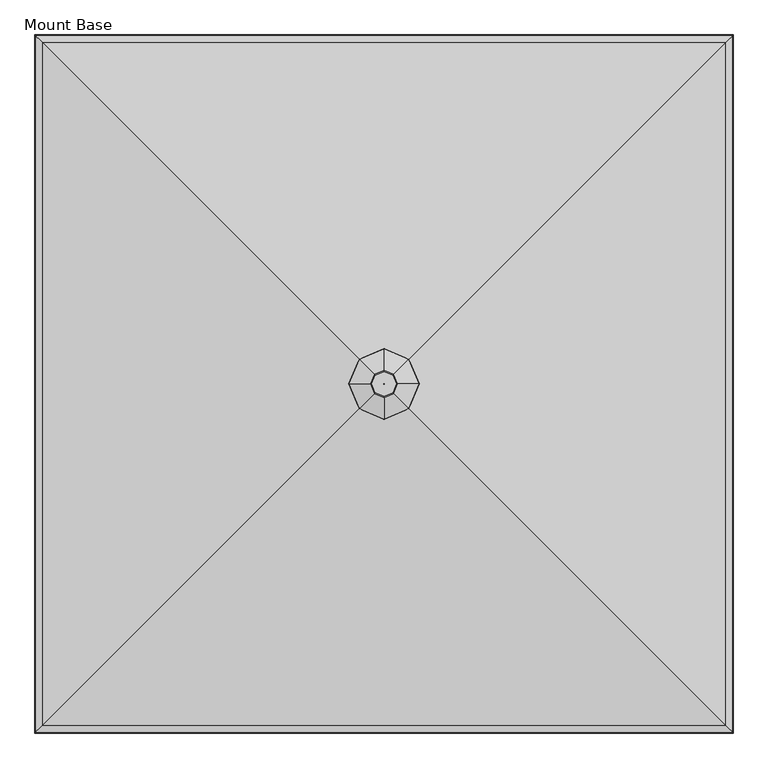
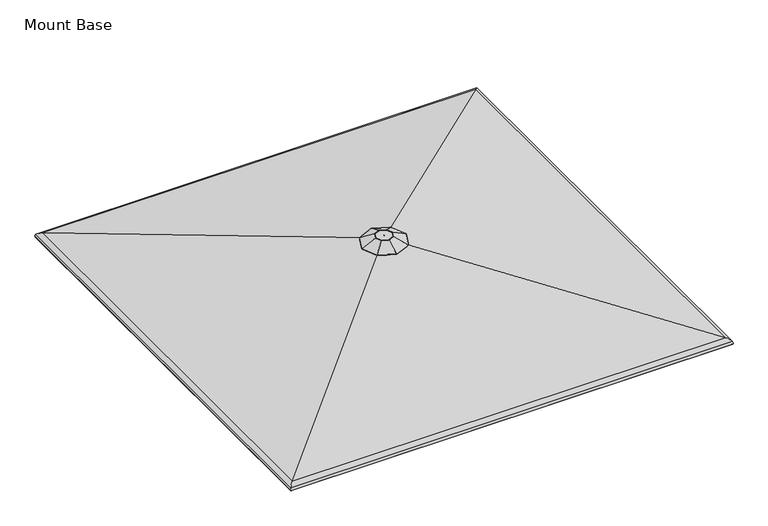
"""IFC4 building model written with IfcOpenShell, lengths in millimetres: furniture geometry, Mount Base."""

from ifc_helpers import new_model, si_unit, frame, origin, place, context, project, spatial, polyline, ellipse_curve, source, transform, mapped, element, save
from ifc_brep_helpers import plane_surface, cylinder_surface, revolved_surface, advanced_brep


def mount_base_37c14542(model_context):
    return source(origin(), model_context, "Body", "AdvancedBrep", [
        advanced_brep(
        [(459.6167733, -4.0299408, 2788.1260368), (443.5284214, 33.0984806, 2788.1260368), (406.4, 49.1868325, 2788.1260368), (369.2715786, 33.0984806, 2788.1260368), (353.1832267, -4.0299408, 2788.1260368), (369.2715786, -41.1583622, 2788.1260368), (406.4, -57.2467141, 2788.1260368), (443.5284214, -41.1583622, 2788.1260368), (406.1200807, -3.7500215, 2788.1260368), (406.4, -3.6287279, 2788.1260368), (406.6799193, -3.7500215, 2788.1260368), (406.8012128, -4.0299408, 2788.1260368), (406.6799193, -4.30986, 2788.1260368), (406.4, -4.4311536, 2788.1260368), (406.1200807, -4.30986, 2788.1260368), (405.9987872, -4.0299408, 2788.1260368), (386.6122835, 15.7577757, 2773.6177982), (406.4, 24.3321167, 2773.6177982), (426.1877165, 15.7577757, 2773.6177982), (434.7620575, -4.0299408, 2773.6177982), (426.1877165, -23.8176572, 2773.6177982), (406.4, -32.3919982, 2773.6177982), (386.6122835, -23.8176572, 2773.6177982), (378.0379425, -4.0299408, 2773.6177982), (406.8012128, -4.0299408, 2773.6177982), (406.6799193, -3.7500215, 2773.6177982), (406.4, -3.6287279, 2773.6177982), (406.1200807, -3.7500215, 2773.6177982), (405.9987872, -4.0299408, 2773.6177982), (406.1200807, -4.30986, 2773.6177982), (406.4, -4.4311536, 2773.6177982), (406.6799193, -4.30986, 2773.6177982), (300.4700231, 101.9000361, 2741.0648825), (254.5688326, -4.0299408, 2741.0648825), (299.7039003, 102.6661589, 2743.64096), (253.4707362, -4.0299408, 2743.64096), (364.933862, 37.4361973, 2786.7726474), (346.9659065, -4.0299408, 2786.7726474), (300.4700231, -109.9599176, 2741.0648825), (299.7039003, -110.7260405, 2743.64096), (364.933862, -45.4960788, 2786.7726474), (406.4, -155.8611082, 2741.0648825), (406.4, -156.9592046, 2743.64096), (406.4, -63.4640343, 2786.7726474), (512.3299769, -109.9599176, 2741.0648825), (513.0960997, -110.7260405, 2743.64096), (447.866138, -45.4960788, 2786.7726474), (558.2311674, -4.0299408, 2741.0648825), (559.3292638, -4.0299408, 2743.64096), (465.8340935, -4.0299408, 2786.7726474), (512.3299769, 101.9000361, 2741.0648825), (513.0960997, 102.6661589, 2743.64096), (447.866138, 37.4361973, 2786.7726474), (406.4, 147.8012266, 2741.0648825), (406.4, 148.899323, 2743.64096), (406.4, 55.4041527, 2786.7726474)],
        [
            (0, 1),
            (1, 2),
            (2, 3),
            (3, 4),
            (4, 5),
            (5, 6),
            (6, 7),
            (7, 0),
            (8, 9),
            (9, 10),
            (10, 11),
            (11, 12),
            (12, 13),
            (13, 14),
            (14, 15),
            (15, 8),
            (16, 17),
            (17, 18),
            (18, 19),
            (19, 20),
            (20, 21),
            (21, 22),
            (22, 23),
            (23, 16),
            (24, 25),
            (25, 26),
            (26, 27),
            (27, 28),
            (28, 29),
            (29, 30),
            (30, 31),
            (31, 24),
            (27, 8),
            (15, 28),
            (14, 29),
            (13, 30),
            (12, 31),
            (11, 24),
            (10, 25),
            (9, 26),
            (32, 16),
            (23, 33),
            (33, 32),
            (34, 32, ellipse_curve(frame((300.178338, 102.1917212, 2742.3999245), z_axis=(-0.7071067811865479, -0.707106781186547, 0.0), x_axis=(-0.7071067811865467, 0.7071067811865482, 0.0)), 1.4936871, 1.3890625)),
            (33, 35, ellipse_curve(frame((254.1507556, -4.0299408, 2742.3999245), z_axis=(0.0, 0.9999999999999999, 0.0), x_axis=(1.0, 0.0, 0.0)), 1.5138634, 1.3890625)),
            (35, 34),
            (36, 34),
            (35, 37),
            (37, 36),
            (3, 36, ellipse_curve(frame((369.2715786, 33.0984806, 2775.4260368), z_axis=(-0.7071067811865479, -0.707106781186547, 0.0), x_axis=(-0.7071067811865467, 0.7071067811865482, 0.0)), 13.656568, 12.7)),
            (37, 4, ellipse_curve(frame((353.1832267, -4.0299408, 2775.4260368), z_axis=(0.0, 0.9999999999999999, 0.0), x_axis=(1.0, 0.0, 0.0)), 13.8410369, 12.7)),
            (22, 38),
            (38, 33),
            (38, 39, ellipse_curve(frame((300.178338, -110.2516027, 2742.3999245), z_axis=(-0.707106781186547, 0.707106781186548, 0.0), x_axis=(0.7071067811865479, 0.707106781186547, 0.0)), 1.4936871, 1.3890625)),
            (39, 35),
            (39, 40),
            (40, 37),
            (40, 5, ellipse_curve(frame((369.2715786, -41.1583622, 2775.4260368), z_axis=(-0.707106781186547, 0.707106781186548, 0.0), x_axis=(0.7071067811865479, 0.707106781186547, 0.0)), 13.656568, 12.7)),
            (21, 41),
            (41, 38),
            (41, 42, ellipse_curve(frame((406.4, -156.2791852, 2742.3999245), z_axis=(-0.9999999999999999, 0.0, 0.0), x_axis=(0.0, 1.0, 0.0)), 1.5138634, 1.3890625)),
            (42, 39),
            (42, 43),
            (43, 40),
            (43, 6, ellipse_curve(frame((406.4, -57.2467141, 2775.4260368), z_axis=(-0.9999999999999999, 0.0, 0.0), x_axis=(0.0, 1.0, 0.0)), 13.8410369, 12.7)),
            (20, 44),
            (44, 41),
            (44, 45, ellipse_curve(frame((512.621662, -110.2516027, 2742.3999245), z_axis=(-0.707106781186548, -0.707106781186547, 0.0), x_axis=(-0.7071067811865469, 0.7071067811865481, 0.0)), 1.4936871, 1.3890625)),
            (45, 42),
            (45, 46),
            (46, 43),
            (46, 7, ellipse_curve(frame((443.5284214, -41.1583622, 2775.4260368), z_axis=(-0.707106781186548, -0.707106781186547, 0.0), x_axis=(-0.7071067811865469, 0.7071067811865481, 0.0)), 13.656568, 12.7)),
            (19, 47),
            (47, 44),
            (47, 48, ellipse_curve(frame((558.6492444, -4.0299408, 2742.3999245), z_axis=(0.0, -1.0, 0.0), x_axis=(-1.0, 0.0, 0.0)), 1.5138634, 1.3890625)),
            (48, 45),
            (48, 49),
            (49, 46),
            (49, 0, ellipse_curve(frame((459.6167733, -4.0299408, 2775.4260368), z_axis=(0.0, -1.0, 0.0), x_axis=(-1.0, 0.0, 0.0)), 13.8410369, 12.7)),
            (18, 50),
            (50, 47),
            (50, 51, ellipse_curve(frame((512.621662, 102.1917212, 2742.3999245), z_axis=(0.707106781186547, -0.707106781186548, 0.0), x_axis=(-0.7071067811865478, -0.7071067811865471, 0.0)), 1.4936871, 1.3890625)),
            (51, 48),
            (51, 52),
            (52, 49),
            (52, 1, ellipse_curve(frame((443.5284214, 33.0984806, 2775.4260368), z_axis=(0.707106781186547, -0.707106781186548, 0.0), x_axis=(-0.7071067811865478, -0.7071067811865471, 0.0)), 13.656568, 12.7)),
            (17, 53),
            (53, 50),
            (53, 54, ellipse_curve(frame((406.4, 148.2193037, 2742.3999245), z_axis=(0.9999999999999999, 0.0, 0.0), x_axis=(0.0, -1.0, 0.0)), 1.5138634, 1.3890625)),
            (54, 51),
            (54, 55),
            (55, 52),
            (55, 2, ellipse_curve(frame((406.4, 49.1868325, 2775.4260368), z_axis=(0.9999999999999999, 0.0, 0.0), x_axis=(0.0, -1.0, 0.0)), 13.8410369, 12.7)),
            (32, 53),
            (34, 54),
            (36, 55),
        ],
        [
            plane_surface(frame((406.4, 49.1868325, 2788.1260368), z_axis=(0.0, 0.0, 1.0000000000000002), x_axis=(-0.9175613115760064, -0.3975943152246007, 0.0))),
            plane_surface(frame((406.4, -3.6287279, 2773.6177982), z_axis=(0.0, 0.0, -1.0000000000000002), x_axis=(-0.9175613115760123, -0.397594315224587, 0.0))),
            plane_surface(frame((406.1200807, -3.7500215, 2788.1260368), z_axis=(0.9175613115760118, -0.3975943152245879, 0.0), x_axis=(-0.3975943152245879, -0.9175613115760118, 0.0))),
            plane_surface(frame((405.9987872, -4.0299408, 2788.1260368), z_axis=(0.9175613115760107, 0.3975943152245906, 0.0), x_axis=(0.3975943152245906, -0.9175613115760107, 0.0))),
            plane_surface(frame((406.1200807, -4.30986, 2788.1260368), z_axis=(0.39759431522459493, 0.9175613115760088, 0.0), x_axis=(0.9175613115760088, -0.39759431522459493, 0.0))),
            plane_surface(frame((406.4, -4.4311536, 2788.1260368), z_axis=(-0.3975943152246053, 0.9175613115760043, 0.0), x_axis=(0.9175613115760043, 0.3975943152246053, 0.0))),
            plane_surface(frame((406.6799193, -4.30986, 2788.1260368), z_axis=(-0.9175613115759941, 0.39759431522462907, 0.0), x_axis=(0.39759431522462907, 0.9175613115759941, 0.0))),
            plane_surface(frame((406.8012128, -4.0299408, 2788.1260368), z_axis=(-0.9175613115759855, -0.3975943152246487, 0.0), x_axis=(-0.3975943152246487, 0.9175613115759855, 0.0))),
            plane_surface(frame((406.6799193, -3.7500215, 2788.1260368), z_axis=(-0.39759431522467054, -0.917561311575976, 0.0), x_axis=(-0.917561311575976, 0.39759431522467054, 0.0))),
            plane_surface(frame((406.4, -3.6287279, 2788.1260368), z_axis=(0.397594315224615, -0.9175613115760002, 0.0), x_axis=(-0.9175613115760002, -0.397594315224615, 0.0))),
            plane_surface(frame((386.6122835, 15.7577757, 2773.6177982), z_axis=(0.2533988855278374, -0.10980187928485073, -0.9611100624375781), x_axis=(-0.39759431522460226, -0.9175613115760056, 0.0))),
            cylinder_surface(frame((300.2593942, 102.3787813, 2742.3999245), z_axis=(0.3975943152246023, 0.9175613115760056, 0.0), x_axis=(0.9175613115760056, -0.3975943152246023, 0.0)), 1.3890625),
            plane_surface(frame((299.7039003, 102.6661589, 2743.64096), z_axis=(-0.41216366180553754, 0.17859725209486316, 0.8934339021053624), x_axis=(-0.3975943152246024, -0.9175613115760055, 0.0))),
            cylinder_surface(frame((383.6366896, 66.2500363, 2775.4260368), z_axis=(0.3975943152246023, 0.9175613115760056, 0.0), x_axis=(0.9175613115760056, -0.3975943152246023, 0.0)), 12.7),
            plane_surface(frame((378.0379425, -4.0299408, 2773.6177982), z_axis=(0.25339888552783785, 0.10980187928484988, -0.9611100624375781), x_axis=(0.3975943152245991, -0.9175613115760071, 0.0))),
            cylinder_surface(frame((254.0619188, -3.8249249, 2742.3999245), z_axis=(-0.39759431522459965, 0.9175613115760068, 0.0), x_axis=(0.9175613115760068, 0.39759431522459965, 0.0)), 1.3890625),
            plane_surface(frame((253.4707362, -4.0299408, 2743.64096), z_axis=(-0.41216366180553804, -0.17859725209486185, 0.8934339021053624), x_axis=(0.3975943152245996, -0.9175613115760067, 0.0))),
            cylinder_surface(frame((337.4392142, 32.3038202, 2775.4260368), z_axis=(-0.39759431522459965, 0.9175613115760068, 0.0), x_axis=(0.9175613115760068, 0.39759431522459965, 0.0)), 12.7),
            plane_surface(frame((386.6122835, -23.8176572, 2773.6177982), z_axis=(0.10980187928485052, 0.2533988855278374, -0.9611100624375781), x_axis=(0.917561311576006, -0.39759431522460165, 0.0))),
            cylinder_surface(frame((299.9912779, -110.1705465, 2742.3999245), z_axis=(-0.9175613115760063, 0.3975943152246009, 0.0), x_axis=(0.3975943152246009, 0.9175613115760063, 0.0)), 1.3890625),
            plane_surface(frame((299.7039003, -110.7260405, 2743.64096), z_axis=(-0.1785972520948624, -0.4121636618055376, 0.8934339021053627), x_axis=(0.9175613115760062, -0.397594315224601, 0.0))),
            cylinder_surface(frame((336.1200229, -26.7932512, 2775.4260368), z_axis=(-0.9175613115760063, 0.3975943152246009, 0.0), x_axis=(0.3975943152246009, 0.9175613115760063, 0.0)), 12.7),
            plane_surface(frame((406.4, -32.3919982, 2773.6177982), z_axis=(-0.10980187928485045, 0.25339888552783746, -0.9611100624375781), x_axis=(0.9175613115760061, 0.3975943152246013, 0.0))),
            cylinder_surface(frame((406.1949841, -156.368022, 2742.3999245), z_axis=(-0.9175613115760062, -0.3975943152246011, 0.0), x_axis=(-0.3975943152246011, 0.9175613115760062, 0.0)), 1.3890625),
            plane_surface(frame((406.4, -156.9592046, 2743.64096), z_axis=(0.1785972520948625, -0.41216366180553776, 0.8934339021053627), x_axis=(0.9175613115760062, 0.397594315224601, 0.0))),
            cylinder_surface(frame((370.0662391, -72.9907266, 2775.4260368), z_axis=(-0.9175613115760062, -0.3975943152246011, 0.0), x_axis=(-0.3975943152246011, 0.9175613115760062, 0.0)), 12.7),
            plane_surface(frame((426.1877165, -23.8176572, 2773.6177982), z_axis=(-0.25339888552783724, 0.10980187928485072, -0.961110062437578), x_axis=(0.39759431522460237, 0.9175613115760055, 0.0))),
            cylinder_surface(frame((512.5406058, -110.4386628, 2742.3999245), z_axis=(-0.3975943152246023, -0.9175613115760057, 0.0), x_axis=(-0.9175613115760057, 0.3975943152246023, 0.0)), 1.3890625),
            plane_surface(frame((513.0960997, -110.7260405, 2743.64096), z_axis=(0.41216366180553743, -0.17859725209486302, 0.8934339021053627), x_axis=(0.39759431522460226, 0.9175613115760056, 0.0))),
            cylinder_surface(frame((429.1633104, -74.3099178, 2775.4260368), z_axis=(-0.3975943152246023, -0.9175613115760057, 0.0), x_axis=(-0.9175613115760057, 0.3975943152246023, 0.0)), 12.7),
            plane_surface(frame((434.7620575, -4.0299408, 2773.6177982), z_axis=(-0.2533988855278377, -0.10980187928484986, -0.9611100624375781), x_axis=(-0.39759431522459915, 0.917561311576007, 0.0))),
            cylinder_surface(frame((558.7380812, -4.2349567, 2742.3999245), z_axis=(0.39759431522459965, -0.9175613115760066, 0.0), x_axis=(-0.9175613115760066, -0.39759431522459965, 0.0)), 1.3890625),
            plane_surface(frame((559.3292638, -4.0299408, 2743.64096), z_axis=(0.4121636618055378, 0.17859725209486188, 0.8934339021053628), x_axis=(-0.3975943152245998, 0.9175613115760066, 0.0))),
            cylinder_surface(frame((475.3607858, -40.3637017, 2775.4260368), z_axis=(0.39759431522459965, -0.9175613115760066, 0.0), x_axis=(-0.9175613115760066, -0.39759431522459965, 0.0)), 12.7),
            plane_surface(frame((426.1877165, 15.7577757, 2773.6177982), z_axis=(-0.10980187928485023, -0.2533988855278375, -0.961110062437578), x_axis=(-0.9175613115760064, 0.3975943152246006, 0.0))),
            cylinder_surface(frame((512.8087221, 102.110665, 2742.3999245), z_axis=(0.9175613115760062, -0.3975943152246008, 0.0), x_axis=(-0.3975943152246008, -0.9175613115760062, 0.0)), 1.3890625),
            plane_surface(frame((513.0960997, 102.6661589, 2743.64096), z_axis=(0.1785972520948624, 0.41216366180553754, 0.8934339021053628), x_axis=(-0.9175613115760062, 0.39759431522460104, 0.0))),
            cylinder_surface(frame((476.6799771, 18.7333696, 2775.4260368), z_axis=(0.9175613115760062, -0.3975943152246008, 0.0), x_axis=(-0.3975943152246008, -0.9175613115760062, 0.0)), 12.7),
            plane_surface(frame((406.4, 24.3321167, 2773.6177982), z_axis=(0.10980187928485025, -0.25339888552783746, -0.961110062437578), x_axis=(-0.9175613115760063, -0.39759431522460065, 0.0))),
            cylinder_surface(frame((406.6050159, 148.3081404, 2742.3999245), z_axis=(0.9175613115760061, 0.39759431522460115, 0.0), x_axis=(0.39759431522460115, -0.9175613115760061, 0.0)), 1.3890625),
            plane_surface(frame((406.4, 148.899323, 2743.64096), z_axis=(-0.1785972520948624, 0.41216366180553754, 0.8934339021053627), x_axis=(-0.9175613115760062, -0.397594315224601, 0.0))),
            cylinder_surface(frame((442.7337609, 64.9308451, 2775.4260368), z_axis=(0.9175613115760061, 0.39759431522460115, 0.0), x_axis=(0.39759431522460115, -0.9175613115760061, 0.0)), 12.7),
        ],
        [
            (0, [[1, 2, 3, 4, 5, 6, 7, 8], [9, 10, 11, 12, 13, 14, 15, 16]]),
            (1, [[17, 18, 19, 20, 21, 22, 23, 24], [25, 26, 27, 28, 29, 30, 31, 32]]),
            (2, [[33, -16, 34, -28]]),
            (3, [[-34, -15, 35, -29]]),
            (4, [[-35, -14, 36, -30]]),
            (5, [[-36, -13, 37, -31]]),
            (6, [[-37, -12, 38, -32]]),
            (7, [[-38, -11, 39, -25]]),
            (8, [[-39, -10, 40, -26]]),
            (9, [[-40, -9, -33, -27]]),
            (10, [[41, -24, 42, 43]]),
            (11, [[44, -43, 45, 46]]),
            (12, [[47, -46, 48, 49]]),
            (13, [[50, -49, 51, -4]]),
            (14, [[-42, -23, 52, 53]]),
            (15, [[-45, -53, 54, 55]]),
            (16, [[-48, -55, 56, 57]]),
            (17, [[-51, -57, 58, -5]]),
            (18, [[-52, -22, 59, 60]]),
            (19, [[-54, -60, 61, 62]]),
            (20, [[-56, -62, 63, 64]]),
            (21, [[-58, -64, 65, -6]]),
            (22, [[-59, -21, 66, 67]]),
            (23, [[-61, -67, 68, 69]]),
            (24, [[-63, -69, 70, 71]]),
            (25, [[-65, -71, 72, -7]]),
            (26, [[-66, -20, 73, 74]]),
            (27, [[-68, -74, 75, 76]]),
            (28, [[-70, -76, 77, 78]]),
            (29, [[-72, -78, 79, -8]]),
            (30, [[-73, -19, 80, 81]]),
            (31, [[-75, -81, 82, 83]]),
            (32, [[-77, -83, 84, 85]]),
            (33, [[-79, -85, 86, -1]]),
            (34, [[-80, -18, 87, 88]]),
            (35, [[-82, -88, 89, 90]]),
            (36, [[-84, -90, 91, 92]]),
            (37, [[-86, -92, 93, -2]]),
            (38, [[-87, -17, -41, 94]]),
            (39, [[-89, -94, -44, 95]]),
            (40, [[-91, -95, -47, 96]]),
            (41, [[-93, -96, -50, -3]]),
        ],
    ),
        advanced_brep(
        [(1918.0266063, -1515.5505769, 2406.4885499), (1890.1051249, -1487.6290955, 2426.4541073), (-1077.3051249, -1487.6290955, 2426.4541073), (-1105.2266063, -1515.5505769, 2406.4885499), (1920.8410222, -1518.3649928, 2386.5591998), (-1108.0410222, -1518.3649928, 2386.5591998), (1916.4494701, -1513.9734407, 2387.8021546), (-1103.6494701, -1513.9734407, 2387.8021546), (1914.1509856, -1511.6749562, 2404.0781078), (-1101.3509856, -1511.6749562, 2404.0781078), (1889.0773715, -1486.6013421, 2422.0072669), (-1076.2773715, -1486.6013421, 2422.0072669), (472.3126419, -69.8366125, 2749.4498123), (340.4873581, -69.8366125, 2749.4498123), (406.7617904, -4.285761, 2754.0138748), (406.7617904, -4.285761, 2749.4498123), (406.0382096, -4.285761, 2749.4498123), (406.0382096, -4.285761, 2754.0138748), (472.8332036, -70.3571742, 2754.0138748), (339.9667964, -70.3571742, 2754.0138748), (-1077.3051249, 1479.5692139, 2426.4541073), (-1105.2266063, 1507.4906953, 2406.4885499), (-1108.0410222, 1510.3051113, 2386.5591998), (-1103.6494701, 1505.9135592, 2387.8021546), (-1101.3509856, 1503.6150747, 2404.0781078), (-1076.2773715, 1478.5414606, 2422.0072669), (340.4873581, 61.776731, 2749.4498123), (406.0382096, -3.7741206, 2749.4498123), (406.0382096, -3.7741206, 2754.0138748), (339.9667964, 62.2972926, 2754.0138748), (1890.1051249, 1479.5692139, 2426.4541073), (1918.0266063, 1507.4906953, 2406.4885499), (1920.8410222, 1510.3051113, 2386.5591998), (1916.4494701, 1505.9135592, 2387.8021546), (1914.1509856, 1503.6150747, 2404.0781078), (1889.0773715, 1478.5414606, 2422.0072669), (472.3126419, 61.776731, 2749.4498123), (406.7617904, -3.7741206, 2749.4498123), (406.7617904, -3.7741206, 2754.0138748), (472.8332036, 62.2972926, 2754.0138748)],
        [
            (0, 1, ellipse_curve(frame((1880.0286733, -1477.5526439, 2382.8557374), z_axis=(-0.7071067811865492, -0.7071067811865457, 0.0), x_axis=(0.7071067811865458, -0.7071067811865491, 0.0)), 63.2827424, 44.7476563)),
            (1, 2),
            (2, 3, ellipse_curve(frame((-1067.2286733, -1477.5526439, 2382.8557374), z_axis=(0.7071067811865469, -0.7071067811865481, 0.0), x_axis=(0.7071067811865481, 0.7071067811865469, 0.0)), 63.2827424, 44.7476563)),
            (3, 0),
            (4, 0, ellipse_curve(frame((1896.8850212, -1494.4089918, 2393.3395421), z_axis=(-0.7071067811865492, -0.7071067811865457, 0.0), x_axis=(0.7071067811865458, -0.7071067811865491, 0.0)), 35.2097438, 24.8970486)),
            (3, 5, ellipse_curve(frame((-1084.0850212, -1494.4089918, 2393.3395421), z_axis=(0.7071067811865469, -0.7071067811865481, 0.0), x_axis=(0.7071067811865481, 0.7071067811865469, 0.0)), 35.2097438, 24.8970486)),
            (5, 4),
            (6, 4, ellipse_curve(frame((1918.6452462, -1516.1692168, 2387.1806772), z_axis=(-0.7071067811865492, -0.7071067811865457, 0.0), x_axis=(0.7071067811865458, -0.7071067811865491, 0.0)), 3.2272795, 2.2820312)),
            (5, 7, ellipse_curve(frame((-1105.8452462, -1516.1692168, 2387.1806772), z_axis=(0.7071067811865469, -0.7071067811865481, 0.0), x_axis=(0.7071067811865481, 0.7071067811865469, 0.0)), 3.2272795, 2.2820312)),
            (7, 6),
            (8, 6, ellipse_curve(frame((1896.8850212, -1494.4089918, 2393.3395421), z_axis=(0.7071067811865492, 0.7071067811865457, 0.0), x_axis=(-0.7071067811865458, 0.7071067811865491, 0.0)), 28.7551847, 20.3329861)),
            (7, 9, ellipse_curve(frame((-1084.0850212, -1494.4089918, 2393.3395421), z_axis=(-0.7071067811865469, 0.7071067811865481, 0.0), x_axis=(-0.7071067811865481, -0.7071067811865469, 0.0)), 28.7551847, 20.3329861)),
            (9, 8),
            (10, 8, ellipse_curve(frame((1880.0286733, -1477.5526439, 2382.8557374), z_axis=(0.7071067811865492, 0.7071067811865457, 0.0), x_axis=(-0.7071067811865458, 0.7071067811865491, 0.0)), 56.8281833, 40.1835938)),
            (9, 11, ellipse_curve(frame((-1067.2286733, -1477.5526439, 2382.8557374), z_axis=(-0.7071067811865469, 0.7071067811865481, 0.0), x_axis=(-0.7071067811865481, -0.7071067811865469, 0.0)), 56.8281833, 40.1835938)),
            (11, 10),
            (12, 10),
            (11, 13),
            (13, 12),
            (14, 15),
            (15, 16),
            (16, 17),
            (17, 14),
            (1, 18),
            (18, 19),
            (19, 2),
            (2, 20),
            (20, 21, ellipse_curve(frame((-1067.2286733, 1469.4927623, 2382.8557374), z_axis=(-0.7071067811865459, -0.7071067811865491, 0.0), x_axis=(0.7071067811865491, -0.7071067811865458, 0.0)), 63.2827424, 44.7476563)),
            (21, 3),
            (21, 22, ellipse_curve(frame((-1084.0850212, 1486.3491102, 2393.3395421), z_axis=(-0.7071067811865459, -0.7071067811865491, 0.0), x_axis=(0.7071067811865491, -0.7071067811865458, 0.0)), 35.2097438, 24.8970486)),
            (22, 5),
            (22, 23, ellipse_curve(frame((-1105.8452462, 1508.1093352, 2387.1806772), z_axis=(-0.7071067811865459, -0.7071067811865491, 0.0), x_axis=(0.7071067811865491, -0.7071067811865458, 0.0)), 3.2272795, 2.2820312)),
            (23, 7),
            (23, 24, ellipse_curve(frame((-1084.0850212, 1486.3491102, 2393.3395421), z_axis=(0.7071067811865459, 0.7071067811865491, 0.0), x_axis=(-0.7071067811865491, 0.7071067811865458, 0.0)), 28.7551847, 20.3329861)),
            (24, 9),
            (24, 25, ellipse_curve(frame((-1067.2286733, 1469.4927623, 2382.8557374), z_axis=(0.7071067811865459, 0.7071067811865491, 0.0), x_axis=(-0.7071067811865491, 0.7071067811865458, 0.0)), 56.8281833, 40.1835938)),
            (25, 11),
            (25, 26),
            (26, 13),
            (16, 27),
            (27, 28),
            (28, 17),
            (19, 29),
            (29, 20),
            (20, 30),
            (30, 31, ellipse_curve(frame((1880.0286733, 1469.4927623, 2382.8557374), z_axis=(-0.7071067811865479, 0.707106781186547, 0.0), x_axis=(-0.7071067811865472, -0.7071067811865477, 0.0)), 63.2827424, 44.7476563)),
            (31, 21),
            (31, 32, ellipse_curve(frame((1896.8850212, 1486.3491102, 2393.3395421), z_axis=(-0.7071067811865479, 0.707106781186547, 0.0), x_axis=(-0.7071067811865472, -0.7071067811865477, 0.0)), 35.2097438, 24.8970486)),
            (32, 22),
            (32, 33, ellipse_curve(frame((1918.6452462, 1508.1093352, 2387.1806772), z_axis=(-0.7071067811865479, 0.707106781186547, 0.0), x_axis=(-0.7071067811865472, -0.7071067811865477, 0.0)), 3.2272795, 2.2820312)),
            (33, 23),
            (33, 34, ellipse_curve(frame((1896.8850212, 1486.3491102, 2393.3395421), z_axis=(0.7071067811865479, -0.707106781186547, 0.0), x_axis=(0.7071067811865472, 0.7071067811865477, 0.0)), 28.7551847, 20.3329861)),
            (34, 24),
            (34, 35, ellipse_curve(frame((1880.0286733, 1469.4927623, 2382.8557374), z_axis=(0.7071067811865479, -0.707106781186547, 0.0), x_axis=(0.7071067811865472, 0.7071067811865477, 0.0)), 56.8281833, 40.1835938)),
            (35, 25),
            (35, 36),
            (36, 26),
            (27, 37),
            (37, 38),
            (38, 28),
            (29, 39),
            (39, 30),
            (30, 1),
            (0, 31),
            (4, 32),
            (6, 33),
            (8, 34),
            (10, 35),
            (12, 36),
            (15, 37),
            (14, 38),
            (18, 39),
        ],
        [
            cylinder_surface(frame((1928.5489374, -1477.5526439, 2382.8557374), z_axis=(1.0, 0.0, 0.0), x_axis=(0.0, -1.0, 0.0)), 44.7476563),
            cylinder_surface(frame((1928.5489374, -1494.4089918, 2393.3395421), z_axis=(1.0, 0.0, 0.0), x_axis=(0.0, -1.0, 0.0)), 24.8970486),
            cylinder_surface(frame((1928.5489374, -1516.1692168, 2387.1806772), z_axis=(1.0, 0.0, 0.0), x_axis=(0.0, -1.0, 0.0)), 2.2820312),
            revolved_surface(polyline([(-1104.4180072956422, -1514.7419779, 2393.3395421), (1917.2180072956417, -1514.7419779, 2393.3395421)]), (1928.5489374, -1494.4089918, 2393.3395421), (-1.0, 0.0, 0.0)),
            revolved_surface(polyline([(-1107.4122670739418, -1517.7362377, 2382.8557374), (1920.212267073942, -1517.7362377, 2382.8557374)]), (1928.5489374, -1477.5526439, 2382.8557374), (-1.0, 0.0, 0.0)),
            plane_surface(frame((1889.0773715, -1486.6013421, 2422.0072669), z_axis=(0.0, 0.22518389675848055, -0.9743162795728428), x_axis=(-1.0, 0.0, 0.0))),
            plane_surface(frame((406.7617904, -4.285761, 2749.4498123), z_axis=(-1.122404475803615e-12, 1.0, 0.0), x_axis=(-1.0, -1.122404475803615e-12, 0.0))),
            plane_surface(frame((472.8332036, -70.3571742, 2754.0138748), z_axis=(0.0, -0.2251838967584806, 0.9743162795728428), x_axis=(-1.0, 0.0, 0.0))),
            cylinder_surface(frame((-1067.2286733, -1526.072908, 2382.8557374), z_axis=(0.0, -1.0, 0.0), x_axis=(-1.0, 0.0, 0.0)), 44.7476563),
            cylinder_surface(frame((-1084.0850212, -1526.072908, 2393.3395421), z_axis=(0.0, -1.0, 0.0), x_axis=(-1.0, 0.0, 0.0)), 24.8970486),
            cylinder_surface(frame((-1105.8452462, -1526.072908, 2387.1806772), z_axis=(0.0, -1.0, 0.0), x_axis=(-1.0, 0.0, 0.0)), 2.2820312),
            revolved_surface(polyline([(-1104.4180073, 1506.6820962956413, 2393.3395421), (-1104.4180073, -1514.7419778956416, 2393.3395421)]), (-1084.0850212, -1526.072908, 2393.3395421), (0.0, 1.0, 0.0)),
            revolved_surface(polyline([(-1107.4122671, 1509.6763560739423, 2382.8557374), (-1107.4122671, -1517.736237673942, 2382.8557374)]), (-1067.2286733, -1526.072908, 2382.8557374), (0.0, 1.0, 0.0)),
            plane_surface(frame((-1076.2773715, -1486.6013421, 2422.0072669), z_axis=(0.2251838967584774, 0.0, -0.9743162795728436), x_axis=(0.0, 1.0, 0.0))),
            plane_surface(frame((406.0382096, -4.285761, 2749.4498123), z_axis=(1.0, 0.0, 0.0), x_axis=(0.0, 1.0, 0.0))),
            plane_surface(frame((339.9667964, -70.3571742, 2754.0138748), z_axis=(-0.22518389675847744, 0.0, 0.9743162795728436), x_axis=(0.0, 1.0, 0.0))),
            cylinder_surface(frame((-1115.7489374, 1469.4927623, 2382.8557374), z_axis=(-1.0, 0.0, 0.0), x_axis=(0.0, 1.0, 0.0)), 44.7476563),
            cylinder_surface(frame((-1115.7489374, 1486.3491102, 2393.3395421), z_axis=(-1.0, 0.0, 0.0), x_axis=(0.0, 1.0, 0.0)), 24.8970486),
            cylinder_surface(frame((-1115.7489374, 1508.1093352, 2387.1806772), z_axis=(-1.0, 0.0, 0.0), x_axis=(0.0, 1.0, 0.0)), 2.2820312),
            revolved_surface(polyline([(1917.2180072956414, 1506.6820963, 2393.3395421), (-1104.4180072956417, 1506.6820963, 2393.3395421)]), (-1115.7489374, 1486.3491102, 2393.3395421), (1.0, 0.0, 0.0)),
            revolved_surface(polyline([(1920.212267073942, 1509.6763561, 2382.8557374), (-1107.4122670739423, 1509.6763561, 2382.8557374)]), (-1115.7489374, 1469.4927623, 2382.8557374), (1.0, 0.0, 0.0)),
            plane_surface(frame((-1076.2773715, 1478.5414606, 2422.0072669), z_axis=(0.0, -0.22518389675848055, -0.9743162795728428), x_axis=(1.0, 0.0, 0.0))),
            plane_surface(frame((406.0382096, -3.7741206, 2749.4498123), z_axis=(0.0, -1.0, 0.0), x_axis=(1.0, 0.0, 0.0))),
            plane_surface(frame((339.9667964, 62.2972926, 2754.0138748), z_axis=(0.0, 0.2251838967584806, 0.9743162795728428), x_axis=(1.0, 0.0, 0.0))),
            cylinder_surface(frame((1880.0286733, 1518.0130264, 2382.8557374), z_axis=(0.0, 1.0, 0.0), x_axis=(1.0, 0.0, 0.0)), 44.7476563),
            cylinder_surface(frame((1896.8850212, 1518.0130264, 2393.3395421), z_axis=(0.0, 1.0, 0.0), x_axis=(1.0, 0.0, 0.0)), 24.8970486),
            cylinder_surface(frame((1918.6452462, 1518.0130264, 2387.1806772), z_axis=(0.0, 1.0, 0.0), x_axis=(1.0, 0.0, 0.0)), 2.2820312),
            revolved_surface(polyline([(1917.2180073, -1514.7419778956419, 2393.3395421), (1917.2180073, 1506.6820962956417, 2393.3395421)]), (1896.8850212, 1518.0130264, 2393.3395421), (0.0, -1.0, 0.0)),
            revolved_surface(polyline([(1920.2122671, -1517.736237673942, 2382.8557374), (1920.2122671, 1509.6763560739423, 2382.8557374)]), (1880.0286733, 1518.0130264, 2382.8557374), (0.0, -1.0, 0.0)),
            plane_surface(frame((1889.0773715, 1478.5414606, 2422.0072669), z_axis=(-0.22518389675848371, 0.0, -0.9743162795728421), x_axis=(0.0, -1.0, 0.0))),
            plane_surface(frame((472.3126419, 61.776731, 2749.4498123), z_axis=(0.0, 0.0, -1.0), x_axis=(0.0, -1.0, 0.0))),
            plane_surface(frame((406.7617904, -3.7741206, 2749.4498123), z_axis=(-1.0, 0.0, 0.0), x_axis=(0.0, -1.0, 0.0))),
            plane_surface(frame((406.7617904, -3.7741206, 2754.0138748), z_axis=(0.0, 0.0, 1.0), x_axis=(0.0, -1.0, 0.0))),
            plane_surface(frame((472.8332036, 62.2972926, 2754.0138748), z_axis=(0.22518389675848377, 0.0, 0.9743162795728421), x_axis=(0.0, -1.0, 0.0))),
        ],
        [
            (0, [[1, 2, 3, 4]]),
            (1, [[5, -4, 6, 7]]),
            (2, [[8, -7, 9, 10]]),
            (3, [[11, -10, 12, 13]]),
            (4, [[14, -13, 15, 16]]),
            (5, [[17, -16, 18, 19]]),
            (6, [[20, 21, 22, 23]]),
            (7, [[24, 25, 26, -2]]),
            (8, [[-3, 27, 28, 29]]),
            (9, [[-6, -29, 30, 31]]),
            (10, [[-9, -31, 32, 33]]),
            (11, [[-12, -33, 34, 35]]),
            (12, [[-15, -35, 36, 37]]),
            (13, [[-18, -37, 38, 39]]),
            (14, [[-22, 40, 41, 42]]),
            (15, [[-26, 43, 44, -27]]),
            (16, [[-28, 45, 46, 47]]),
            (17, [[-30, -47, 48, 49]]),
            (18, [[-32, -49, 50, 51]]),
            (19, [[-34, -51, 52, 53]]),
            (20, [[-36, -53, 54, 55]]),
            (21, [[-38, -55, 56, 57]]),
            (22, [[-41, 58, 59, 60]]),
            (23, [[-44, 61, 62, -45]]),
            (24, [[-46, 63, -1, 64]]),
            (25, [[-48, -64, -5, 65]]),
            (26, [[-50, -65, -8, 66]]),
            (27, [[-52, -66, -11, 67]]),
            (28, [[-54, -67, -14, 68]]),
            (29, [[-56, -68, -17, 69]]),
            (30, [[-39, -57, -69, -19], [70, -58, -40, -21]]),
            (31, [[-59, -70, -20, 71]]),
            (32, [[72, -61, -43, -25], [-42, -60, -71, -23]]),
            (33, [[-62, -72, -24, -63]]),
        ],
    ),
    ])


if __name__ == "__main__":
    model = new_model("IFC4")
    model_context = context("Model", 3, world=origin())
    ifc_project = project(units=[si_unit("LENGTHUNIT", "METRE", prefix="MILLI")], contexts=[model_context])
    site = spatial("IfcSite", under=ifc_project)
    building = spatial("IfcBuilding", under=site)
    placement = place(None, origin())
    mount_base_shape = mount_base_37c14542(model_context)
    element("IfcFurniture", 1, ObjectType="Mount Base", at=placement, inside=building, context=model_context, shape_type="MappedRepresentation", body=[
        mapped(mount_base_shape, transform((0.0, 0.0, 0.0), x_axis=(1.0, 0.0, 0.0), y_axis=(0.0, 1.0, 0.0), z_axis=(0.0, 0.0, 1.0))),
    ])
    save(model, "model.ifc")
